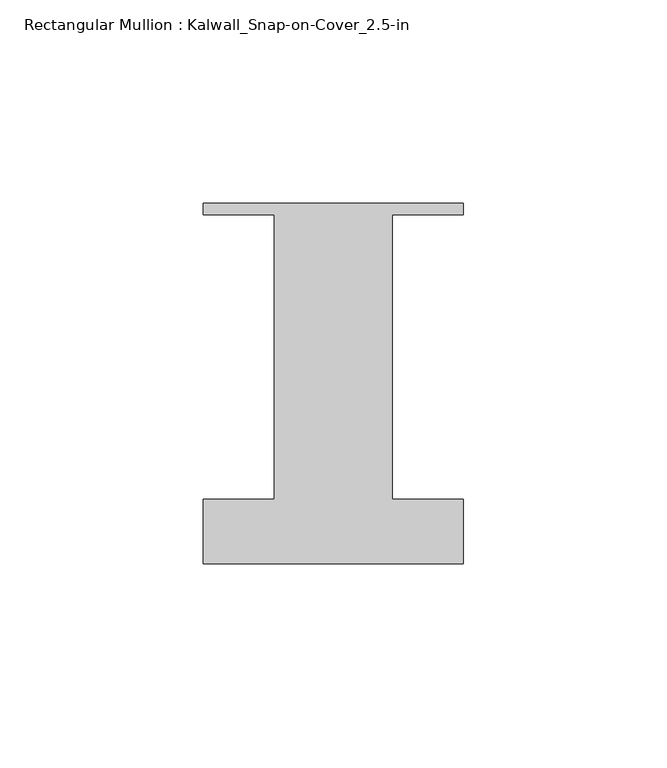
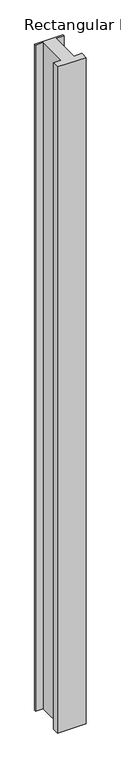
"""IFC4 building model written with IfcOpenShell, lengths in millimetres: member geometry, Rectangular Mullion : Kalwall_Snap-on-Cover_2.5-in."""

from ifc_helpers import new_model, si_unit, frame, origin, place, context, project, spatial, polyline, outline, extrude, source, transform, mapped, element, save


def rectangular_mullion_kalwall_snap_on_cover_2_5_in_d61f610a(model_context):
    return source(origin(), model_context, "Body", "SweptSolid", [
        extrude(outline(polyline([(-32.0, 37.794), (32.0, 37.794), (32.0, 35.0), (14.5, 35.0), (14.5, -35.0), (32.0, -35.0), (32.0, -50.875), (-32.0, -50.875), (-32.0, -35.0), (-14.5, -35.0), (-14.5, 35.0), (-32.0, 35.0), (-32.0, 37.794)])), frame((0.0, 0.0, -1585.0068), z_axis=(0.0, 0.0, 1.0), x_axis=(1.0, 0.0, 0.0)), (0.0, 0.0, 1.0), 1585.0068),
    ])


if __name__ == "__main__":
    model = new_model("IFC4")
    model_context = context("Model", 3, world=origin())
    ifc_project = project(units=[si_unit("LENGTHUNIT", "METRE", prefix="MILLI")], contexts=[model_context])
    site = spatial("IfcSite", under=ifc_project)
    building = spatial("IfcBuilding", under=site)
    placement = place(None, origin())
    rectangular_mullion_kalwall_snap_on_cover_2_5_in_shape = rectangular_mullion_kalwall_snap_on_cover_2_5_in_d61f610a(model_context)
    element("IfcMember", 1, ObjectType="Rectangular Mullion : Kalwall_Snap-on-Cover_2.5-in", at=placement, inside=building, context=model_context, shape_type="MappedRepresentation", body=[
        mapped(rectangular_mullion_kalwall_snap_on_cover_2_5_in_shape, transform((0.0, 0.0, 0.0), x_axis=(1.0, 0.0, 0.0), y_axis=(0.0, 1.0, 0.0), z_axis=(0.0, 0.0, 1.0))),
    ])
    save(model, "model.ifc")
